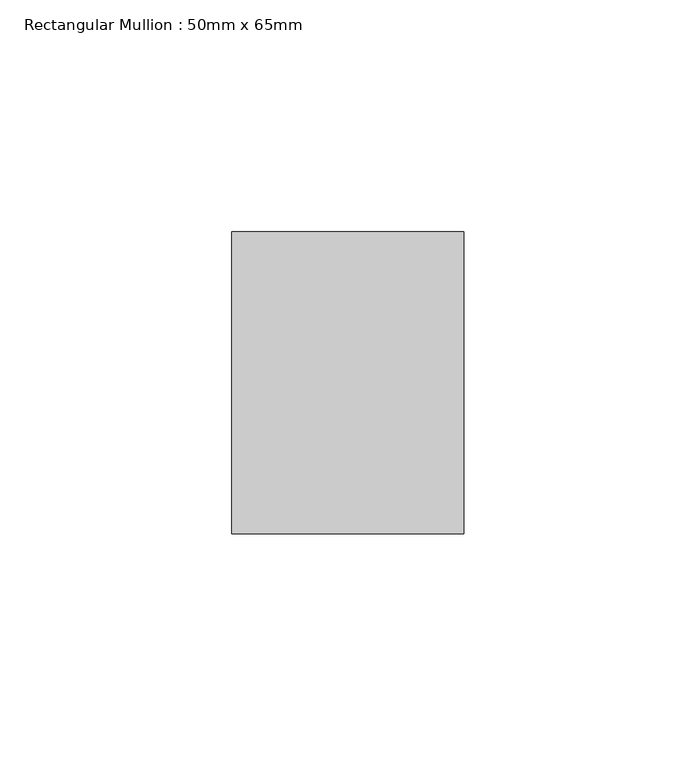
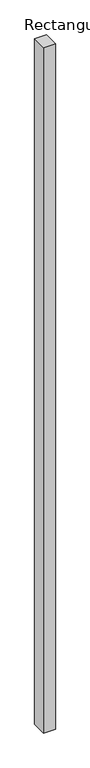
"""IFC4 building model written with IfcOpenShell, lengths in millimetres: member geometry, Rectangular Mullion : 50mm x 65mm."""

from ifc_helpers import new_model, si_unit, frame, origin, place, context, project, spatial, polyline, outline, extrude, source, transform, mapped, element, save


def rectangular_mullion_50mm_x_65mm_3fdd5dda(model_context):
    return source(origin(), model_context, "Body", "SweptSolid", [
        extrude(outline(polyline([(25.0, 32.5), (25.0, -32.5), (-25.0, -32.5), (-25.0, 32.5), (25.0, 32.5)])), frame((0.0, 0.0, -3078.7106305), z_axis=(0.0, 0.0, 1.0), x_axis=(1.0, 0.0, 0.0)), (0.0, 0.0, 1.0), 3078.7106305),
    ])


if __name__ == "__main__":
    model = new_model("IFC4")
    model_context = context("Model", 3, world=origin())
    ifc_project = project(units=[si_unit("LENGTHUNIT", "METRE", prefix="MILLI")], contexts=[model_context])
    site = spatial("IfcSite", under=ifc_project)
    building = spatial("IfcBuilding", under=site)
    placement = place(None, origin())
    rectangular_mullion_50mm_x_65mm_shape = rectangular_mullion_50mm_x_65mm_3fdd5dda(model_context)
    element("IfcMember", 1, ObjectType="Rectangular Mullion : 50mm x 65mm", at=placement, inside=building, context=model_context, shape_type="MappedRepresentation", body=[
        mapped(rectangular_mullion_50mm_x_65mm_shape, transform((0.0, 0.0, 0.0), x_axis=(1.0, 0.0, 0.0), y_axis=(0.0, 1.0, 0.0), z_axis=(0.0, 0.0, 1.0))),
    ])
    save(model, "model.ifc")
